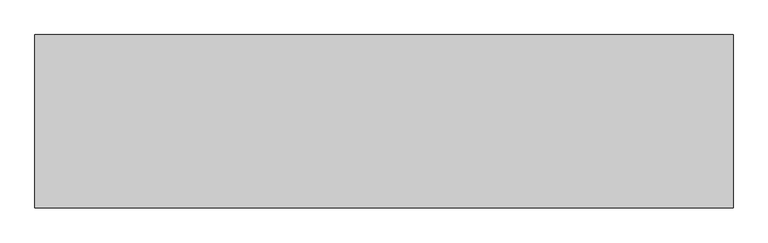
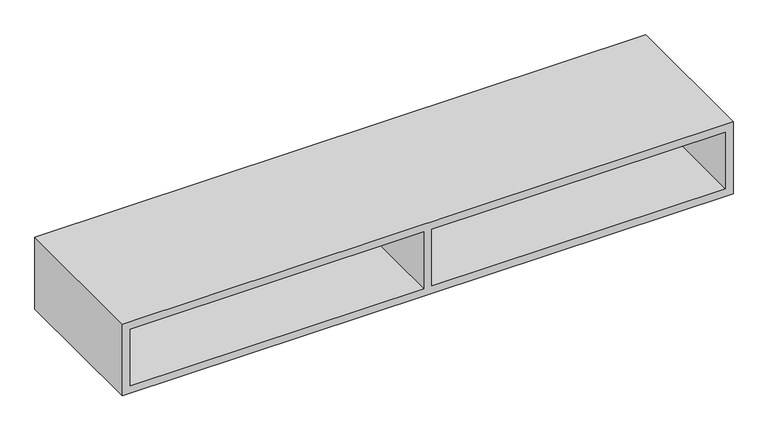
"""IFC4 building model written with IfcOpenShell, lengths in millimetres: furniture geometry."""

from ifc_helpers import new_model, si_unit, origin, place, context, project, spatial, faceted_brep, source, transform, mapped, element, save


def furniture_c232f2b6(model_context):
    return source(origin(), model_context, "Body", "Brep", [
        faceted_brep([(20.1673737, 32.7150845, 591.6676643), (20.1673737, 32.7150845, 740.8164093), (1502.8166263, 32.7150845, 740.8164093), (1502.8166263, 32.7150845, 591.6676643), (751.4084682, -320.802, 591.6676643), (751.4084682, -320.802, 740.8164093), (751.4084682, 12.5477108, 740.8164093), (751.4084682, 12.5477108, 591.6676643), (0.0, -320.802, 571.5), (1522.984, -320.802, 571.5), (1522.984, -320.802, 591.6676643), (1522.984, -320.802, 740.8164093), (1522.984, -320.802, 760.9840736), (0.0, -320.802, 760.9840736), (0.0, -320.802, 740.8164093), (0.0, -320.802, 591.6676643), (20.1673737, -320.802, 591.6676643), (20.1673737, -320.802, 740.8164093), (771.5755318, -320.802, 591.6676643), (771.5755318, -320.802, 740.8164093), (1502.8166263, -320.802, 740.8164093), (1502.8166263, -320.802, 591.6676643), (771.5755318, 12.5477108, 591.6676643), (771.5755318, 12.5477108, 740.8164093), (20.1673737, 12.5477108, 591.6676643), (1502.8166263, 12.5477108, 591.6676643), (1502.8166263, 57.15, 591.6676643), (20.1673737, 57.15, 591.6676643), (0.0, 57.15, 571.5), (1522.984, 57.15, 571.5), (0.0, 57.15, 760.9840736), (1522.984, 57.15, 760.9840736), (1502.8166263, 57.15, 740.8164093), (20.1673737, 57.15, 740.8164093), (20.1673737, 12.5477108, 740.8164093), (1502.8166263, 12.5477108, 740.8164093)], [[[0, 1, 2, 3]], [[4, 5, 6, 7]], [[8, 9, 10, 11, 12, 13, 14, 15], [5, 4, 16, 17], [18, 19, 20, 21]], [[19, 18, 22, 23]], [[16, 4, 7, 24]], [[18, 21, 25, 22]], [[26, 27, 0, 3]], [[8, 28, 29, 9]], [[28, 30, 31, 29], [27, 26, 32, 33]], [[30, 13, 12, 31]], [[13, 30, 28, 8, 15, 14]], [[17, 16, 24, 34]], [[27, 33, 1, 0]], [[31, 12, 11, 10, 9, 29]], [[21, 20, 35, 25]], [[32, 26, 3, 2]], [[5, 17, 34, 6]], [[20, 19, 23, 35]], [[33, 32, 2, 1]], [[7, 6, 34, 24]], [[23, 22, 25, 35]]]),
    ])


if __name__ == "__main__":
    model = new_model("IFC4")
    model_context = context("Model", 3, world=origin())
    ifc_project = project(units=[si_unit("LENGTHUNIT", "METRE", prefix="MILLI")], contexts=[model_context])
    site = spatial("IfcSite", under=ifc_project)
    building = spatial("IfcBuilding", under=site)
    placement = place(None, origin())
    furniture_shape = furniture_c232f2b6(model_context)
    element("IfcFurniture", 1, at=placement, inside=building, context=model_context, shape_type="MappedRepresentation", body=[
        mapped(furniture_shape, transform((0.0, 0.0, 0.0), x_axis=(1.0, 0.0, 0.0), y_axis=(0.0, 1.0, 0.0), z_axis=(0.0, 0.0, 1.0))),
    ])
    save(model, "model.ifc")
